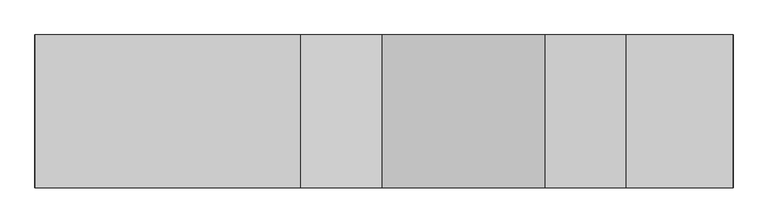
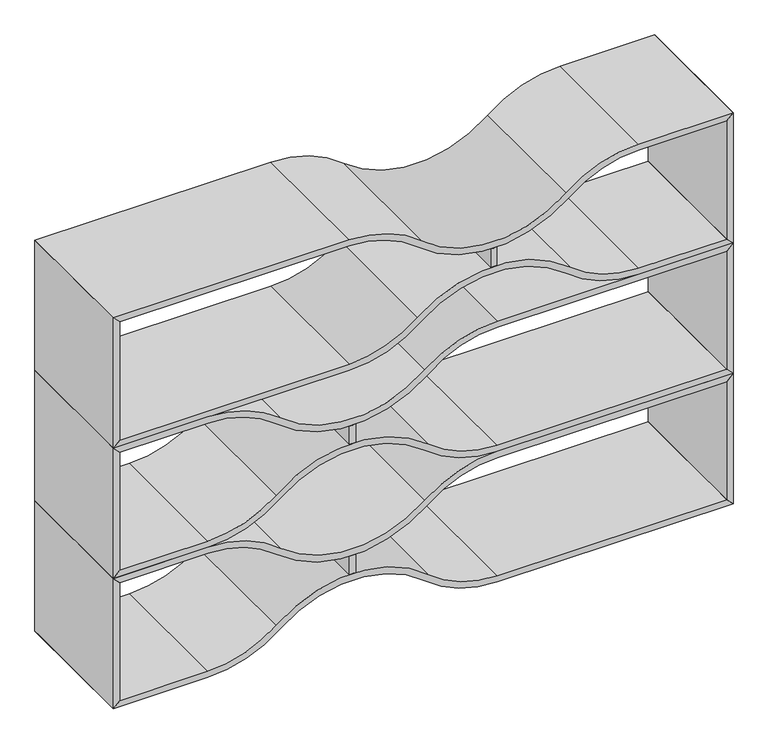
"""IFC4 building model written with IfcOpenShell, lengths in millimetres: furniture geometry."""

from ifc_helpers import new_model, si_unit, point, frame, frame_2d, origin, place, context, project, spatial, polyline, circle_curve, trimmed, segment, composite_curve, outline, extrude, source, transform, mapped, element, save


def furniture_263111b3(model_context):
    return source(origin(), model_context, "Body", "SweptSolid", [
        extrude(outline(composite_curve([segment(polyline([(174.4954536, 715.6053028), (231.9043041, 715.6053028)]), True, "CONTINUOUS"), segment(trimmed(circle_curve(frame_2d((294.3304283, 706.0803028)), 63.1486073), [point((231.9043041, 715.6053028))], [point((231.9043041, 696.5553028))], True, "CARTESIAN"), True, "CONTINUOUS"), segment(polyline([(231.9043041, 696.5553028), (174.4954536, 696.5553028)]), True, "CONTINUOUS"), segment(trimmed(circle_curve(frame_2d((112.0693295, 706.0803028)), 63.1486073), [point((174.4954536, 696.5553028))], [point((174.4954536, 715.6053028))], True, "CARTESIAN"), True, "CONTINUOUS")], self_intersect=False)), frame((0.0, -400.05, 0.0), z_axis=(0.0, 1.0, 0.0), x_axis=(0.0, 0.0, 1.0)), (0.0, 0.0, 1.0), 400.05),
        extrude(outline(composite_curve([segment(polyline([(-0.0001453, 1828.7603222), (19.0498547, 1809.7103222), (19.0498547, 1132.8400097)]), True, "CONTINUOUS"), segment(trimmed(circle_curve(frame_2d((331.5016284, 1132.8400097)), 312.4517737), [point((19.0498547, 1132.8400097))], [point((92.8601549, 931.1562026))], True, "CARTESIAN"), True, "CONTINUOUS"), segment(trimmed(circle_curve(frame_2d((-173.4145397, 706.118646)), 348.6317755), [point((92.8601549, 931.1562026))], [point((92.3738289, 480.5069043))], False, "CARTESIAN"), True, "CONTINUOUS"), segment(trimmed(circle_curve(frame_2d((331.5016284, 279.3999516)), 312.4517737), [point((92.3738289, 480.5069043))], [point((19.0498547, 279.3999516))], True, "CARTESIAN"), True, "CONTINUOUS"), segment(polyline([(19.0498547, 279.3999516), (19.0498547, 19.05), (-0.0001453, 0.0), (-0.0001453, 279.3999516)]), True, "CONTINUOUS"), segment(trimmed(circle_curve(frame_2d((331.3965629, 279.3999516)), 331.3967082), [point((-0.0001453, 279.3999516))], [point((77.5319561, 492.4176495))], False, "CARTESIAN"), True, "CONTINUOUS"), segment(trimmed(circle_curve(frame_2d((-177.1485648, 706.1199806)), 332.4618084), [point((77.5319561, 492.4176495))], [point((77.5319561, 919.8223118))], True, "CARTESIAN"), True, "CONTINUOUS"), segment(trimmed(circle_curve(frame_2d((331.3965629, 1132.8400097)), 331.3967082), [point((77.5319561, 919.8223118))], [point((-0.0001453, 1132.8400097))], False, "CARTESIAN"), True, "CONTINUOUS"), segment(polyline([(-0.0001453, 1132.8400097), (-0.0001453, 1828.7603222)]), True, "CONTINUOUS")], self_intersect=False)), frame((0.0, -400.05, 0.0), z_axis=(0.0, 1.0, 0.0), x_axis=(0.0, 0.0, 1.0)), (0.0, 0.0, 1.0), 400.05),
        extrude(outline(composite_curve([segment(polyline([(406.3999031, 1828.7603222), (406.3999031, 1132.8400097)]), True, "CONTINUOUS"), segment(trimmed(circle_curve(frame_2d((75.0031949, 1132.8400097)), 331.3967082), [point((406.3999031, 1132.8400097))], [point((328.8678017, 919.8223118))], False, "CARTESIAN"), True, "CONTINUOUS"), segment(trimmed(circle_curve(frame_2d((583.5483226, 706.1199806)), 332.4618084), [point((328.8678017, 919.8223118))], [point((328.8678017, 492.4176495))], True, "CARTESIAN"), True, "CONTINUOUS"), segment(trimmed(circle_curve(frame_2d((75.0031949, 279.3999516)), 331.3967082), [point((328.8678017, 492.4176495))], [point((406.3999031, 279.3999516))], False, "CARTESIAN"), True, "CONTINUOUS"), segment(polyline([(406.3999031, 279.3999516), (406.3999031, 0.0), (387.3499031, 19.05), (387.3499031, 279.3999516)]), True, "CONTINUOUS"), segment(trimmed(circle_curve(frame_2d((74.8981294, 279.3999516)), 312.4517737), [point((387.3499031, 279.3999516))], [point((314.0259289, 480.5069043))], True, "CARTESIAN"), True, "CONTINUOUS"), segment(trimmed(circle_curve(frame_2d((579.8142974, 706.118646)), 348.6317755), [point((314.0259289, 480.5069043))], [point((313.5396029, 931.1562026))], False, "CARTESIAN"), True, "CONTINUOUS"), segment(trimmed(circle_curve(frame_2d((74.8981294, 1132.8400097)), 312.4517737), [point((313.5396029, 931.1562026))], [point((387.3499031, 1132.8400097))], True, "CARTESIAN"), True, "CONTINUOUS"), segment(polyline([(387.3499031, 1132.8400097), (387.3499031, 1809.7103222), (406.3999031, 1828.7603222)]), True, "CONTINUOUS")], self_intersect=False)), frame((0.0, -400.05, 0.0), z_axis=(0.0, 1.0, 0.0), x_axis=(0.0, 0.0, 1.0)), (0.0, 0.0, 1.0), 400.05),
        extrude(outline(polyline([(387.3499031, 1809.75), (19.0498547, 1809.75), (-0.0001453, 1828.8), (406.3999031, 1828.8), (387.3499031, 1809.75)])), frame((0.0, -400.05, 0.0), z_axis=(0.0, 1.0, 0.0), x_axis=(0.0, 0.0, 1.0)), (0.0, 0.0, 1.0), 400.05),
        extrude(outline(polyline([(387.3499031, 19.05), (406.3999031, 0.0), (-0.0001453, 0.0), (19.0498547, 19.05), (387.3499031, 19.05)])), frame((0.0, -400.05, 0.0), z_axis=(0.0, 1.0, 0.0), x_axis=(0.0, 0.0, 1.0)), (0.0, 0.0, 1.0), 400.05),
        extrude(outline(composite_curve([segment(polyline([(580.8955021, 715.6053028), (638.3043526, 715.6053028)]), True, "CONTINUOUS"), segment(trimmed(circle_curve(frame_2d((700.7304767, 706.0803028)), 63.1486073), [point((638.3043526, 715.6053028))], [point((638.3043526, 696.5553028))], True, "CARTESIAN"), True, "CONTINUOUS"), segment(polyline([(638.3043526, 696.5553028), (580.8955021, 696.5553028)]), True, "CONTINUOUS"), segment(trimmed(circle_curve(frame_2d((518.4693779, 706.0803028)), 63.1486073), [point((580.8955021, 696.5553028))], [point((580.8955021, 715.6053028))], True, "CARTESIAN"), True, "CONTINUOUS")], self_intersect=False)), frame((0.0, -400.05, 0.0), z_axis=(0.0, 1.0, 0.0), x_axis=(0.0, 0.0, 1.0)), (0.0, 0.0, 1.0), 400.05),
        extrude(outline(composite_curve([segment(polyline([(406.3999031, 1828.7603222), (425.4499031, 1809.7103222), (425.4499031, 1132.8400097)]), True, "CONTINUOUS"), segment(trimmed(circle_curve(frame_2d((737.9016768, 1132.8400097)), 312.4517737), [point((425.4499031, 1132.8400097))], [point((499.2602033, 931.1562026))], True, "CARTESIAN"), True, "CONTINUOUS"), segment(trimmed(circle_curve(frame_2d((232.9855088, 706.118646)), 348.6317755), [point((499.2602033, 931.1562026))], [point((498.7738774, 480.5069043))], False, "CARTESIAN"), True, "CONTINUOUS"), segment(trimmed(circle_curve(frame_2d((737.9016768, 279.3999516)), 312.4517737), [point((498.7738774, 480.5069043))], [point((425.4499031, 279.3999516))], True, "CARTESIAN"), True, "CONTINUOUS"), segment(polyline([(425.4499031, 279.3999516), (425.4499031, 19.05), (406.3999031, 0.0), (406.3999031, 279.3999516)]), True, "CONTINUOUS"), segment(trimmed(circle_curve(frame_2d((737.7966113, 279.3999516)), 331.3967082), [point((406.3999031, 279.3999516))], [point((483.9320045, 492.4176495))], False, "CARTESIAN"), True, "CONTINUOUS"), segment(trimmed(circle_curve(frame_2d((229.2514836, 706.1199806)), 332.4618084), [point((483.9320045, 492.4176495))], [point((483.9320045, 919.8223118))], True, "CARTESIAN"), True, "CONTINUOUS"), segment(trimmed(circle_curve(frame_2d((737.7966113, 1132.8400097)), 331.3967082), [point((483.9320045, 919.8223118))], [point((406.3999031, 1132.8400097))], False, "CARTESIAN"), True, "CONTINUOUS"), segment(polyline([(406.3999031, 1132.8400097), (406.3999031, 1828.7603222)]), True, "CONTINUOUS")], self_intersect=False)), frame((0.0, -400.05, 0.0), z_axis=(0.0, 1.0, 0.0), x_axis=(0.0, 0.0, 1.0)), (0.0, 0.0, 1.0), 400.05),
        extrude(outline(composite_curve([segment(polyline([(812.7999516, 1828.7603222), (812.7999516, 1132.8400097)]), True, "CONTINUOUS"), segment(trimmed(circle_curve(frame_2d((481.4032433, 1132.8400097)), 331.3967082), [point((812.7999516, 1132.8400097))], [point((735.2678501, 919.8223118))], False, "CARTESIAN"), True, "CONTINUOUS"), segment(trimmed(circle_curve(frame_2d((989.948371, 706.1199806)), 332.4618084), [point((735.2678501, 919.8223118))], [point((735.2678501, 492.4176495))], True, "CARTESIAN"), True, "CONTINUOUS"), segment(trimmed(circle_curve(frame_2d((481.4032433, 279.3999516)), 331.3967082), [point((735.2678501, 492.4176495))], [point((812.7999516, 279.3999516))], False, "CARTESIAN"), True, "CONTINUOUS"), segment(polyline([(812.7999516, 279.3999516), (812.7999516, 0.0), (793.7499516, 19.05), (793.7499516, 279.3999516)]), True, "CONTINUOUS"), segment(trimmed(circle_curve(frame_2d((481.2981778, 279.3999516)), 312.4517737), [point((793.7499516, 279.3999516))], [point((720.4259773, 480.5069043))], True, "CARTESIAN"), True, "CONTINUOUS"), segment(trimmed(circle_curve(frame_2d((986.2143459, 706.118646)), 348.6317755), [point((720.4259773, 480.5069043))], [point((719.9396513, 931.1562026))], False, "CARTESIAN"), True, "CONTINUOUS"), segment(trimmed(circle_curve(frame_2d((481.2981778, 1132.8400097)), 312.4517737), [point((719.9396513, 931.1562026))], [point((793.7499516, 1132.8400097))], True, "CARTESIAN"), True, "CONTINUOUS"), segment(polyline([(793.7499516, 1132.8400097), (793.7499516, 1809.7103222), (812.7999516, 1828.7603222)]), True, "CONTINUOUS")], self_intersect=False)), frame((0.0, -400.05, 0.0), z_axis=(0.0, 1.0, 0.0), x_axis=(0.0, 0.0, 1.0)), (0.0, 0.0, 1.0), 400.05),
        extrude(outline(polyline([(793.7499516, 1809.75), (425.4499031, 1809.75), (406.3999031, 1828.8), (812.7999516, 1828.8), (793.7499516, 1809.75)])), frame((0.0, -400.05, 0.0), z_axis=(0.0, 1.0, 0.0), x_axis=(0.0, 0.0, 1.0)), (0.0, 0.0, 1.0), 400.05),
        extrude(outline(polyline([(793.7499516, 19.05), (812.7999516, 0.0), (406.3999031, 0.0), (425.4499031, 19.05), (793.7499516, 19.05)])), frame((0.0, -400.05, 0.0), z_axis=(0.0, 1.0, 0.0), x_axis=(0.0, 0.0, 1.0)), (0.0, 0.0, 1.0), 400.05),
        extrude(outline(composite_curve([segment(trimmed(circle_curve(frame_2d((924.8694264, 1122.6800194)), 63.1486073), [point((987.2955505, 1113.1550194))], [point((987.2955505, 1132.2050194))], True, "CARTESIAN"), True, "CONTINUOUS"), segment(polyline([(987.2955505, 1132.2050194), (1044.704401, 1132.2050194)]), True, "CONTINUOUS"), segment(trimmed(circle_curve(frame_2d((1107.1305252, 1122.6800194)), 63.1486073), [point((1044.704401, 1132.2050194))], [point((1044.704401, 1113.1550194))], True, "CARTESIAN"), True, "CONTINUOUS"), segment(polyline([(1044.704401, 1113.1550194), (987.2955505, 1113.1550194)]), True, "CONTINUOUS")], self_intersect=False)), frame((0.0, -400.05, 0.0), z_axis=(0.0, 1.0, 0.0), x_axis=(0.0, 0.0, 1.0)), (0.0, 0.0, 1.0), 400.05),
        extrude(outline(polyline([(1200.15, 1809.75), (831.8499516, 1809.75), (812.7999516, 1828.8), (1219.2, 1828.8), (1200.15, 1809.75)])), frame((0.0, -400.05, 0.0), z_axis=(0.0, 1.0, 0.0), x_axis=(0.0, 0.0, 1.0)), (0.0, 0.0, 1.0), 400.05),
        extrude(outline(polyline([(1200.15, 19.05), (1219.2, 0.0), (812.7999516, 0.0), (831.8499516, 19.05), (1200.15, 19.05)])), frame((0.0, -400.05, 0.0), z_axis=(0.0, 1.0, 0.0), x_axis=(0.0, 0.0, 1.0)), (0.0, 0.0, 1.0), 400.05),
        extrude(outline(composite_curve([segment(polyline([(812.7999516, 0.0), (812.7999516, 695.9203125)]), True, "CONTINUOUS"), segment(trimmed(circle_curve(frame_2d((1144.1966598, 695.9203125)), 331.3967082), [point((812.7999516, 695.9203125))], [point((890.332053, 908.9380104))], False, "CARTESIAN"), True, "CONTINUOUS"), segment(trimmed(circle_curve(frame_2d((635.6515321, 1122.6403416)), 332.4618084), [point((890.332053, 908.9380104))], [point((890.332053, 1336.3426727))], True, "CARTESIAN"), True, "CONTINUOUS"), segment(trimmed(circle_curve(frame_2d((1144.1966598, 1549.3603706)), 331.3967082), [point((890.332053, 1336.3426727))], [point((812.7999516, 1549.3603706))], False, "CARTESIAN"), True, "CONTINUOUS"), segment(polyline([(812.7999516, 1549.3603706), (812.7999516, 1828.7603222), (831.8499516, 1809.7103222), (831.8499516, 1549.3603706)]), True, "CONTINUOUS"), segment(trimmed(circle_curve(frame_2d((1144.3017253, 1549.3603706)), 312.4517737), [point((831.8499516, 1549.3603706))], [point((905.1739258, 1348.2534179))], True, "CARTESIAN"), True, "CONTINUOUS"), segment(trimmed(circle_curve(frame_2d((639.3855572, 1122.6416762)), 348.6317755), [point((905.1739258, 1348.2534179))], [point((905.6602518, 897.6041196))], False, "CARTESIAN"), True, "CONTINUOUS"), segment(trimmed(circle_curve(frame_2d((1144.3017253, 695.9203125)), 312.4517737), [point((905.6602518, 897.6041196))], [point((831.8499516, 695.9203125))], True, "CARTESIAN"), True, "CONTINUOUS"), segment(polyline([(831.8499516, 695.9203125), (831.8499516, 19.05), (812.7999516, 0.0)]), True, "CONTINUOUS")], self_intersect=False)), frame((0.0, -400.05, 0.0), z_axis=(0.0, 1.0, 0.0), x_axis=(0.0, 0.0, 1.0)), (0.0, 0.0, 1.0), 400.05),
        extrude(outline(composite_curve([segment(polyline([(1219.2, 0.0), (1200.15, 19.05), (1200.15, 695.9203125)]), True, "CONTINUOUS"), segment(trimmed(circle_curve(frame_2d((887.6982263, 695.9203125)), 312.4517737), [point((1200.15, 695.9203125))], [point((1126.3396998, 897.6041196))], True, "CARTESIAN"), True, "CONTINUOUS"), segment(trimmed(circle_curve(frame_2d((1392.6143943, 1122.6416762)), 348.6317755), [point((1126.3396998, 897.6041196))], [point((1126.8260258, 1348.253418))], False, "CARTESIAN"), True, "CONTINUOUS"), segment(trimmed(circle_curve(frame_2d((887.6982263, 1549.3603706)), 312.4517737), [point((1126.8260258, 1348.253418))], [point((1200.15, 1549.3603706))], True, "CARTESIAN"), True, "CONTINUOUS"), segment(polyline([(1200.15, 1549.3603706), (1200.15, 1809.7103222), (1219.2, 1828.7603222), (1219.2, 1549.3603706)]), True, "CONTINUOUS"), segment(trimmed(circle_curve(frame_2d((887.8032918, 1549.3603706)), 331.3967082), [point((1219.2, 1549.3603706))], [point((1141.6678986, 1336.3426727))], False, "CARTESIAN"), True, "CONTINUOUS"), segment(trimmed(circle_curve(frame_2d((1396.3484195, 1122.6403416)), 332.4618084), [point((1141.6678986, 1336.3426727))], [point((1141.6678986, 908.9380104))], True, "CARTESIAN"), True, "CONTINUOUS"), segment(trimmed(circle_curve(frame_2d((887.8032918, 695.9203125)), 331.3967082), [point((1141.6678986, 908.9380104))], [point((1219.2, 695.9203125))], False, "CARTESIAN"), True, "CONTINUOUS"), segment(polyline([(1219.2, 695.9203125), (1219.2, 0.0)]), True, "CONTINUOUS")], self_intersect=False)), frame((0.0, -400.05, 0.0), z_axis=(0.0, 1.0, 0.0), x_axis=(0.0, 0.0, 1.0)), (0.0, 0.0, 1.0), 400.05),
    ])


if __name__ == "__main__":
    model = new_model("IFC4")
    model_context = context("Model", 3, world=origin())
    ifc_project = project(units=[si_unit("LENGTHUNIT", "METRE", prefix="MILLI")], contexts=[model_context])
    site = spatial("IfcSite", under=ifc_project)
    building = spatial("IfcBuilding", under=site)
    placement = place(None, origin())
    furniture_shape = furniture_263111b3(model_context)
    element("IfcFurniture", 1, at=placement, inside=building, context=model_context, shape_type="MappedRepresentation", body=[
        mapped(furniture_shape, transform((0.0, 0.0, 0.0), x_axis=(1.0, 0.0, 0.0), y_axis=(0.0, 1.0, 0.0), z_axis=(0.0, 0.0, 1.0))),
    ])
    save(model, "model.ifc")
